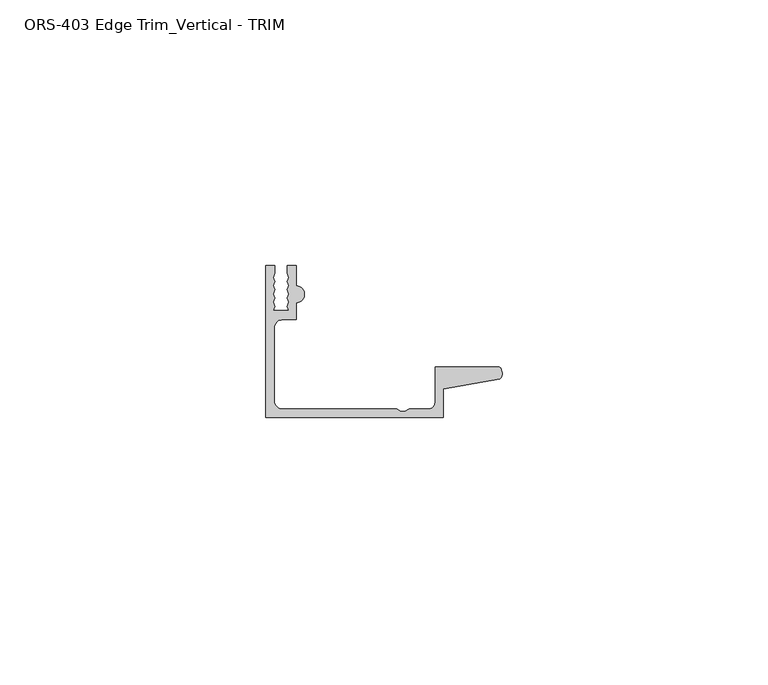
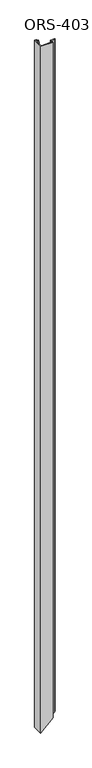
"""IFC4 building model written with IfcOpenShell, lengths in millimetres: proxy geometry, ORS-403 Edge Trim_Vertical - TRIM."""

from ifc_helpers import new_model, si_unit, frame, origin, place, context, project, spatial, polyline, circle_curve, ellipse_curve, source, transform, mapped, element, save
from ifc_brep_helpers import plane_surface, cylinder_surface, revolved_surface, advanced_brep


def ors_403_edge_trim_vertical_trim_64e3c884(model_context):
    return source(origin(), model_context, "Body", "AdvancedBrep", [
        advanced_brep(
        [(0.0, -19.6849659, 1994.7929687), (33.4151698, -19.6849659, 1994.7929687), (33.4151698, -14.292309, 1994.7929687), (43.9912567, -12.4813352, 1994.7929687), (43.9251729, -10.1599659, 1994.7929687), (31.8403698, -10.1599659, 1994.7929687), (31.8403698, -16.8401659, 1994.7929687), (30.5703698, -18.1101659, 1994.7929687), (26.9486086, -18.1101659, 1994.7929687), (26.1600648, -18.5286393, 1994.7929687), (25.3762055, -18.5286393, 1994.7929687), (24.5876618, -18.1101659, 1994.7929687), (3.1623, -18.1101659, 1994.7929687), (1.5748, -16.5226659, 1994.7929687), (1.5748, -2.8574659, 1994.7929687), (3.1623, -1.2699659, 1994.7929687), (5.6896, -1.2699659, 1994.7929687), (5.6896, 1.9177341, 1994.7929687), (5.6896, 5.0673341, 1994.7929687), (5.6896, 8.8900341, 1994.7929687), (4.0500705, 8.8900341, 1994.7929687), (4.0500705, 7.4768015, 1994.7929687), (4.3039002, 6.695594, 1994.7929687), (4.0500705, 5.9143865, 1994.7929687), (4.3039002, 5.133179, 1994.7929687), (4.0500705, 4.3519716, 1994.7929687), (4.3039002, 3.5707641, 1994.7929687), (4.0500705, 2.7895566, 1994.7929687), (4.3039002, 2.0083491, 1994.7929687), (4.0500705, 1.2271416, 1994.7929687), (4.3039002, 0.4459342, 1994.7929687), (1.3857004, 0.4459342, 1994.7929687), (1.6395301, 1.2271416, 1994.7929687), (1.3857004, 2.0083491, 1994.7929687), (1.6395301, 2.7895566, 1994.7929687), (1.3857004, 3.5707641, 1994.7929687), (1.6395301, 4.3519716, 1994.7929687), (1.3857004, 5.133179, 1994.7929687), (1.6395301, 5.9143865, 1994.7929687), (1.3857004, 6.695594, 1994.7929687), (1.6395301, 7.4768015, 1994.7929687), (1.6395301, 8.8900341, 1994.7929687), (0.0, 8.8900341, 1994.7929687), (0.0, 8.8900341, 0.0), (0.0, -19.6849659, 0.0), (1.6395301, 8.8900341, 1.6395301), (1.6395301, 7.4768015, 1.6395301), (1.3857004, 6.695594, 1.3857004), (1.6395301, 5.9143865, 1.6395301), (1.3857004, 5.133179, 1.3857004), (1.6395301, 4.3519716, 1.6395301), (1.3857004, 3.5707641, 1.3857004), (1.6395301, 2.7895566, 1.6395301), (1.3857004, 2.0083491, 1.3857004), (1.6395301, 1.2271416, 1.6395301), (1.3857004, 0.4459342, 1.3857004), (4.3039002, 0.4459342, 4.3039002), (4.0500705, 1.2271416, 4.0500705), (4.3039002, 2.0083491, 4.3039002), (4.0500705, 2.7895566, 4.0500705), (4.3039002, 3.5707641, 4.3039002), (4.0500705, 4.3519716, 4.0500705), (4.3039002, 5.133179, 4.3039002), (4.0500705, 5.9143865, 4.0500705), (4.3039002, 6.695594, 4.3039002), (4.0500705, 7.4768015, 4.0500705), (4.0500705, 8.8900341, 4.0500705), (5.6896, 8.8900341, 5.6896), (5.6896, 5.0673341, 5.6896), (5.6896, 1.9177341, 5.6896), (5.6896, -1.2699659, 5.6896), (3.1623, -1.2699659, 3.1623), (1.5748, -2.8574659, 1.5748), (1.5748, -16.5226659, 1.5748), (3.1623, -18.1101659, 3.1623), (24.5876618, -18.1101659, 24.5876618), (25.3762055, -18.5286393, 25.3762055), (26.1600648, -18.5286393, 26.1600648), (26.9486086, -18.1101659, 26.9486086), (30.5703698, -18.1101659, 30.5703698), (31.8403698, -16.8401659, 31.8403698), (31.8403698, -10.1599659, 31.8403698), (43.9251729, -10.1599659, 43.9251729), (43.9912567, -12.4813352, 43.9912567), (33.4151698, -14.292309, 33.4151698), (33.4151698, -19.6849659, 33.4151698)],
        [
            (0, 1),
            (1, 2),
            (2, 3),
            (3, 4, circle_curve(frame((42.8344152, -11.3526424, 1994.7929687), z_axis=(0.0, 0.0, 1.0), x_axis=(1.0, 0.0, 0.0)), 1.6162393)),
            (4, 5),
            (5, 6),
            (6, 7, circle_curve(frame((30.5703698, -16.8401659, 1994.7929687), z_axis=(0.0, 0.0, -1.0), x_axis=(1.0, 0.0, 0.0)), 1.27)),
            (7, 8),
            (8, 9),
            (9, 10),
            (10, 11),
            (11, 12),
            (12, 13, circle_curve(frame((3.1623, -16.5226659, 1994.7929687), z_axis=(0.0, 0.0, -1.0), x_axis=(1.0, 0.0, 0.0)), 1.5875)),
            (13, 14),
            (14, 15, circle_curve(frame((3.1623, -2.8574659, 1994.7929687), z_axis=(0.0, 0.0, -1.0), x_axis=(1.0, 0.0, 0.0)), 1.5875)),
            (15, 16),
            (16, 17),
            (17, 18, circle_curve(frame((5.6896, 3.4925341, 1994.7929687), z_axis=(0.0, 0.0, 1.0), x_axis=(1.0, 0.0, 0.0)), 1.5748)),
            (18, 19),
            (19, 20),
            (20, 21),
            (21, 22),
            (22, 23),
            (23, 24),
            (24, 25),
            (25, 26),
            (26, 27),
            (27, 28),
            (28, 29),
            (29, 30),
            (30, 31),
            (31, 32),
            (32, 33),
            (33, 34),
            (34, 35),
            (35, 36),
            (36, 37),
            (37, 38),
            (38, 39),
            (39, 40),
            (40, 41),
            (41, 42),
            (42, 0),
            (42, 43),
            (43, 44),
            (44, 0),
            (41, 45),
            (45, 43),
            (40, 46),
            (46, 45),
            (39, 47),
            (47, 46),
            (38, 48),
            (48, 47),
            (37, 49),
            (49, 48),
            (36, 50),
            (50, 49),
            (35, 51),
            (51, 50),
            (34, 52),
            (52, 51),
            (33, 53),
            (53, 52),
            (32, 54),
            (54, 53),
            (31, 55),
            (55, 54),
            (30, 56),
            (56, 55),
            (29, 57),
            (57, 56),
            (28, 58),
            (58, 57),
            (27, 59),
            (59, 58),
            (26, 60),
            (60, 59),
            (25, 61),
            (61, 60),
            (24, 62),
            (62, 61),
            (23, 63),
            (63, 62),
            (22, 64),
            (64, 63),
            (21, 65),
            (65, 64),
            (20, 66),
            (66, 65),
            (19, 67),
            (67, 66),
            (18, 68),
            (68, 67),
            (17, 69),
            (69, 68, ellipse_curve(frame((5.6896, 3.4925341, 5.6896), z_axis=(-0.7071067811865469, 0.0, 0.7071067811865481), x_axis=(0.7071067811865481, 0.0, 0.7071067811865469)), 2.2271035, 1.5748)),
            (16, 70),
            (70, 69),
            (15, 71),
            (71, 70),
            (14, 72),
            (72, 71, ellipse_curve(frame((3.1623, -2.8574659, 3.1623), z_axis=(0.7071067811865469, 0.0, -0.7071067811865481), x_axis=(-0.7071067811865481, 0.0, -0.7071067811865469)), 2.245064, 1.5875)),
            (13, 73),
            (73, 72),
            (12, 74),
            (74, 73, ellipse_curve(frame((3.1623, -16.5226659, 3.1623), z_axis=(0.7071067811865469, 0.0, -0.7071067811865481), x_axis=(-0.7071067811865481, 0.0, -0.7071067811865469)), 2.245064, 1.5875)),
            (11, 75),
            (75, 74),
            (10, 76),
            (76, 75),
            (9, 77),
            (77, 76),
            (8, 78),
            (78, 77),
            (7, 79),
            (79, 78),
            (6, 80),
            (80, 79, ellipse_curve(frame((30.5703698, -16.8401659, 30.5703698), z_axis=(0.7071067811865469, 0.0, -0.7071067811865481), x_axis=(-0.7071067811865481, 0.0, -0.7071067811865469)), 1.7960512, 1.27)),
            (5, 81),
            (81, 80),
            (4, 82),
            (82, 81),
            (3, 83),
            (83, 82, ellipse_curve(frame((42.8344152, -11.3526424, 42.8344152), z_axis=(-0.7071067811865469, 0.0, 0.7071067811865481), x_axis=(0.7071067811865481, 0.0, 0.7071067811865469)), 2.2857076, 1.6162393)),
            (2, 84),
            (84, 83),
            (1, 85),
            (85, 84),
            (44, 85),
        ],
        [
            plane_surface(frame((0.0, 8.8900341, 1994.7929687), z_axis=(0.0, 0.0, 1.0), x_axis=(0.0, 1.0, 0.0))),
            plane_surface(frame((0.0, -19.6849659, 1994.7929687), z_axis=(-1.0, 0.0, 0.0), x_axis=(0.0, 0.0, -1.0))),
            plane_surface(frame((0.0, 8.8900341, 1994.7929687), z_axis=(0.0, 1.0, 0.0), x_axis=(0.0, 0.0, -1.0))),
            plane_surface(frame((1.6395301, 8.8900341, 1994.7929687), z_axis=(1.0, 0.0, 0.0), x_axis=(0.0, 0.0, -1.0))),
            plane_surface(frame((1.6395301, 7.4768015, 1994.7929687), z_axis=(0.9510565162951495, -0.30901699437496005, 0.0), x_axis=(0.0, 0.0, -1.0))),
            plane_surface(frame((1.3857004, 6.695594, 1994.7929687), z_axis=(0.9510565162951546, 0.30901699437494434, 0.0), x_axis=(0.0, 0.0, -1.0))),
            plane_surface(frame((1.6395301, 5.9143865, 1994.7929687), z_axis=(0.9510565162951493, -0.3090169943749606, 0.0), x_axis=(0.0, 0.0, -1.0))),
            plane_surface(frame((1.3857004, 5.133179, 1994.7929687), z_axis=(0.9510565162951459, 0.3090169943749711, 0.0), x_axis=(0.0, 0.0, -1.0))),
            plane_surface(frame((1.6395301, 4.3519716, 1994.7929687), z_axis=(0.9510565162951357, -0.3090169943750027, 0.0), x_axis=(0.0, 0.0, -1.0))),
            plane_surface(frame((1.3857004, 3.5707641, 1994.7929687), z_axis=(0.9510565162951548, 0.30901699437494373, 0.0), x_axis=(0.0, 0.0, -1.0))),
            plane_surface(frame((1.6395301, 2.7895566, 1994.7929687), z_axis=(0.951056516295149, -0.3090169943749616, 0.0), x_axis=(0.0, 0.0, -1.0))),
            plane_surface(frame((1.3857004, 2.0083491, 1994.7929687), z_axis=(0.9510565162951568, 0.309016994374938, 0.0), x_axis=(0.0, 0.0, -1.0))),
            plane_surface(frame((1.6395301, 1.2271416, 1994.7929687), z_axis=(0.9510565162951492, -0.3090169943749611, 0.0), x_axis=(0.0, 0.0, -1.0))),
            plane_surface(frame((1.3857004, 0.4459342, 1994.7929687), z_axis=(0.0, 1.0, 0.0), x_axis=(0.0, 0.0, -1.0))),
            plane_surface(frame((4.3039002, 0.4459342, 1994.7929687), z_axis=(-0.9510565162951503, -0.30901699437495767, 0.0), x_axis=(0.0, 0.0, -1.0))),
            plane_surface(frame((4.0500705, 1.2271416, 1994.7929687), z_axis=(-0.9510565162951559, 0.3090169943749404, 0.0), x_axis=(0.0, 0.0, -1.0))),
            plane_surface(frame((4.3039002, 2.0083491, 1994.7929687), z_axis=(-0.9510565162918149, -0.30901699438522306, 0.0), x_axis=(0.0, 0.0, -1.0))),
            plane_surface(frame((4.0500705, 2.7895566, 1994.7929687), z_axis=(-0.9510565162917888, 0.3090169943853031, 0.0), x_axis=(0.0, 0.0, -1.0))),
            plane_surface(frame((4.3039002, 3.5707641, 1994.7929687), z_axis=(-0.9510565162951367, -0.3090169943749994, 0.0), x_axis=(0.0, 0.0, -1.0))),
            plane_surface(frame((4.0500705, 4.3519716, 1994.7929687), z_axis=(-0.951056516295145, 0.30901699437497376, 0.0), x_axis=(0.0, 0.0, -1.0))),
            plane_surface(frame((4.3039002, 5.133179, 1994.7929687), z_axis=(-0.9510565162951503, -0.30901699437495755, 0.0), x_axis=(0.0, 0.0, -1.0))),
            plane_surface(frame((4.0500705, 5.9143865, 1994.7929687), z_axis=(-0.9510565162951536, 0.3090169943749477, 0.0), x_axis=(0.0, 0.0, -1.0))),
            plane_surface(frame((4.3039002, 6.695594, 1994.7929687), z_axis=(-0.9510565162951506, -0.3090169943749566, 0.0), x_axis=(0.0, 0.0, -1.0))),
            plane_surface(frame((4.0500705, 7.4768015, 1994.7929687), z_axis=(-1.0, 0.0, 0.0), x_axis=(0.0, 0.0, -1.0))),
            plane_surface(frame((4.0500705, 8.8900341, 1994.7929687), z_axis=(0.0, 1.0, 0.0), x_axis=(0.0, 0.0, -1.0))),
            plane_surface(frame((5.6896, 8.8900341, 1994.7929687), z_axis=(1.0, 0.0, 0.0), x_axis=(0.0, 0.0, -1.0))),
            cylinder_surface(frame((5.6896, 3.4925341, 0.0), z_axis=(0.0, 0.0, 1.0), x_axis=(1.0, 0.0, 0.0)), 1.5748),
            plane_surface(frame((5.6896, 1.9177341, 1994.7929687), z_axis=(1.0, 0.0, 0.0), x_axis=(0.0, 0.0, -1.0))),
            plane_surface(frame((5.6896, -1.2699659, 1994.7929687), z_axis=(0.0, -1.0, 0.0), x_axis=(0.0, 0.0, -1.0))),
            revolved_surface(polyline([(4.7498000000000005, -2.8574659, 1.5748), (4.7498000000000005, -2.8574659, 1994.7929687)]), (3.1623, -2.8574659, 0.0), (0.0, 0.0, -1.0)),
            plane_surface(frame((1.5748, -2.8574659, 1994.7929687), z_axis=(1.0, 0.0, 0.0), x_axis=(0.0, 0.0, -1.0))),
            revolved_surface(polyline([(4.7498000000000005, -16.5226659, 1.5748), (4.7498000000000005, -16.5226659, 1994.7929687)]), (3.1623, -16.5226659, 0.0), (0.0, 0.0, -1.0)),
            plane_surface(frame((3.1623, -18.1101659, 1994.7929687), z_axis=(0.0, 1.0, 0.0), x_axis=(0.0, 0.0, -1.0))),
            plane_surface(frame((24.5876618, -18.1101659, 1994.7929687), z_axis=(0.46877036221295537, 0.8833200708184631, 0.0), x_axis=(0.0, 0.0, -1.0))),
            plane_surface(frame((25.3762055, -18.5286393, 1994.7929687), z_axis=(0.0, 1.0, 0.0), x_axis=(0.0, 0.0, -1.0))),
            plane_surface(frame((26.1600648, -18.5286393, 1994.7929687), z_axis=(-0.46877036221480195, 0.8833200708174832, 0.0), x_axis=(0.0, 0.0, -1.0))),
            plane_surface(frame((26.9486086, -18.1101659, 1994.7929687), z_axis=(1.593635278475226e-12, 1.0, 0.0), x_axis=(0.0, 0.0, -1.0))),
            revolved_surface(polyline([(31.8403698, -16.8401659, 29.300369817121766), (31.8403698, -16.8401659, 1994.7929687)]), (30.5703698, -16.8401659, 0.0), (0.0, 0.0, -1.0)),
            plane_surface(frame((31.8403698, -16.8401659, 1994.7929687), z_axis=(-1.0, -1.298707655988294e-12, 0.0), x_axis=(0.0, 0.0, -1.0))),
            plane_surface(frame((31.8403698, -10.1599659, 1994.7929687), z_axis=(0.0, 1.0, 0.0), x_axis=(0.0, 0.0, -1.0))),
            cylinder_surface(frame((42.8344152, -11.3526424, 0.0), z_axis=(0.0, 0.0, 1.0), x_axis=(1.0, 0.0, 0.0)), 1.6162393),
            plane_surface(frame((43.9912567, -12.4813352, 1994.7929687), z_axis=(0.1687764314060245, -0.9856543593987943, 0.0), x_axis=(0.0, 0.0, -1.0))),
            plane_surface(frame((33.4151698, -14.292309, 1994.7929687), z_axis=(1.0, 0.0, 0.0), x_axis=(0.0, 0.0, -1.0))),
            plane_surface(frame((33.4151698, -19.6849659, 1994.7929687), z_axis=(0.0, -1.0, 0.0), x_axis=(0.0, 0.0, -1.0))),
            plane_surface(frame((45.3831812, 8.8900341, 45.3831812), z_axis=(0.7071067811865469, 0.0, -0.7071067811865481), x_axis=(0.0, -1.0, 0.0))),
        ],
        [
            (0, [[1, 2, 3, 4, 5, 6, 7, 8, 9, 10, 11, 12, 13, 14, 15, 16, 17, 18, 19, 20, 21, 22, 23, 24, 25, 26, 27, 28, 29, 30, 31, 32, 33, 34, 35, 36, 37, 38, 39, 40, 41, 42, 43]]),
            (1, [[44, 45, 46, -43]]),
            (2, [[47, 48, -44, -42]]),
            (3, [[49, 50, -47, -41]]),
            (4, [[51, 52, -49, -40]]),
            (5, [[53, 54, -51, -39]]),
            (6, [[55, 56, -53, -38]]),
            (7, [[57, 58, -55, -37]]),
            (8, [[59, 60, -57, -36]]),
            (9, [[61, 62, -59, -35]]),
            (10, [[63, 64, -61, -34]]),
            (11, [[65, 66, -63, -33]]),
            (12, [[67, 68, -65, -32]]),
            (13, [[69, 70, -67, -31]]),
            (14, [[71, 72, -69, -30]]),
            (15, [[73, 74, -71, -29]]),
            (16, [[75, 76, -73, -28]]),
            (17, [[77, 78, -75, -27]]),
            (18, [[79, 80, -77, -26]]),
            (19, [[81, 82, -79, -25]]),
            (20, [[83, 84, -81, -24]]),
            (21, [[85, 86, -83, -23]]),
            (22, [[87, 88, -85, -22]]),
            (23, [[89, 90, -87, -21]]),
            (24, [[91, 92, -89, -20]]),
            (25, [[93, 94, -91, -19]]),
            (26, [[95, 96, -93, -18]]),
            (27, [[97, 98, -95, -17]]),
            (28, [[99, 100, -97, -16]]),
            (29, [[101, 102, -99, -15]]),
            (30, [[103, 104, -101, -14]]),
            (31, [[105, 106, -103, -13]]),
            (32, [[107, 108, -105, -12]]),
            (33, [[109, 110, -107, -11]]),
            (34, [[111, 112, -109, -10]]),
            (35, [[113, 114, -111, -9]]),
            (36, [[115, 116, -113, -8]]),
            (37, [[117, 118, -115, -7]]),
            (38, [[119, 120, -117, -6]]),
            (39, [[121, 122, -119, -5]]),
            (40, [[123, 124, -121, -4]]),
            (41, [[125, 126, -123, -3]]),
            (42, [[127, 128, -125, -2]]),
            (43, [[-46, 129, -127, -1]]),
            (44, [[-48, -50, -52, -54, -56, -58, -60, -62, -64, -66, -68, -70, -72, -74, -76, -78, -80, -82, -84, -86, -88, -90, -92, -94, -96, -98, -100, -102, -104, -106, -108, -110, -112, -114, -116, -118, -120, -122, -124, -126, -128, -129, -45]]),
        ],
    ),
    ])


if __name__ == "__main__":
    model = new_model("IFC4")
    model_context = context("Model", 3, world=origin())
    ifc_project = project(units=[si_unit("LENGTHUNIT", "METRE", prefix="MILLI")], contexts=[model_context])
    site = spatial("IfcSite", under=ifc_project)
    building = spatial("IfcBuilding", under=site)
    placement = place(None, origin())
    ors_403_edge_trim_vertical_trim_shape = ors_403_edge_trim_vertical_trim_64e3c884(model_context)
    element("IfcBuildingElementProxy", 1, Name="ORS-403 Edge Trim_Vertical - TRIM", ObjectType="ORS-403 Edge Trim_Vertical - TRIM", at=placement, inside=building, context=model_context, shape_type="MappedRepresentation", body=[
        mapped(ors_403_edge_trim_vertical_trim_shape, transform((0.0, 0.0, 0.0), x_axis=(1.0, 0.0, 0.0), y_axis=(0.0, 1.0, 0.0), z_axis=(0.0, 0.0, 1.0))),
    ])
    save(model, "model.ifc")
